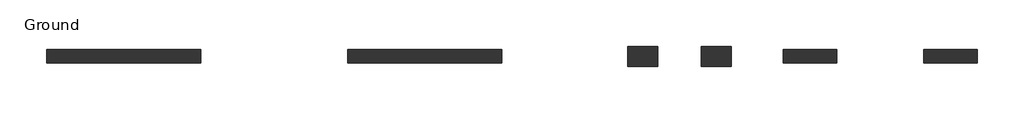
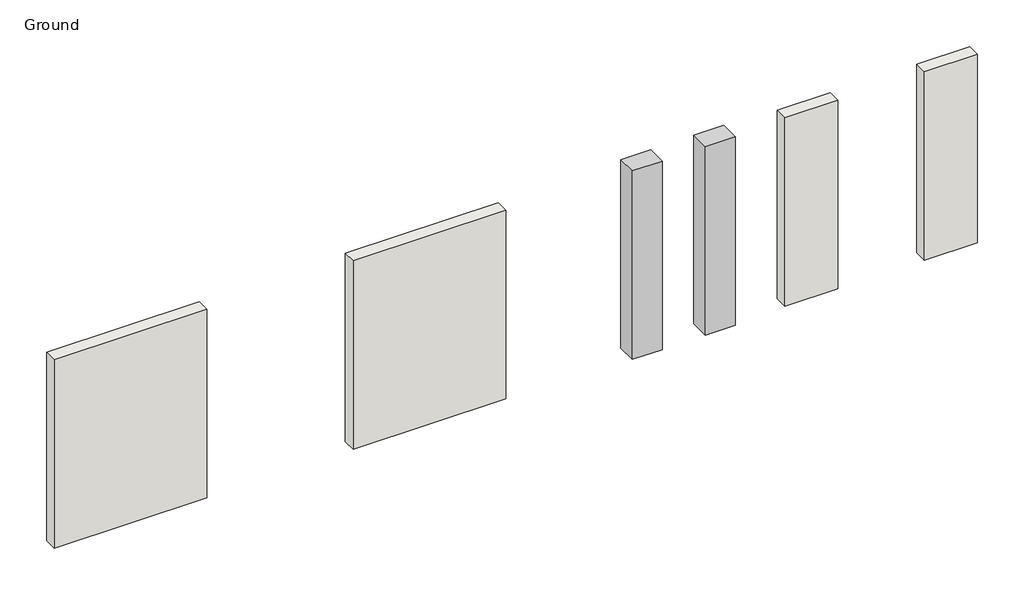
# One storey: 4 walls, 2 columns.
"""IFC4 building model written with IfcOpenShell, lengths in millimetres."""

from ifc_helpers import new_model, si_unit, origin, origin_with_axes, place, context, project, spatial, polyline, outline, extrude, element, save

model = new_model("IFC4")

# Units and contexts
model_context = context("Model", 3, world=origin())
ifc_project = project(units=[si_unit("LENGTHUNIT", "METRE", prefix="MILLI")], contexts=[model_context])

# Site, building, storey
site = spatial("IfcSite", under=ifc_project)
building = spatial("IfcBuilding", under=site)
storey = spatial("IfcBuildingStorey", under=building, Name="Ground", Elevation=0.0)

# Columns
placement = place(None, origin())
element("IfcColumn", 1, ObjectType="Concrete-Rectangular-Column : 300 x 450mm", at=placement, inside=storey, context=model_context, shape_type="SweptSolid", body=[
    extrude(outline(polyline([(3369.8659013, 11056.1906431), (2919.8659013, 11056.1906431), (2919.8659013, 11356.1906431), (3369.8659013, 11356.1906431), (3369.8659013, 11056.1906431)])), origin_with_axes(), (0.0, 0.0, 1.0), 3000.0),
])
element("IfcColumn", 2, ObjectType="Concrete-Rectangular-Column : 300 x 450mm", at=placement, inside=storey, context=model_context, shape_type="SweptSolid", body=[
    extrude(outline(polyline([(2269.8659013, 11056.1906431), (1819.8659013, 11056.1906431), (1819.8659013, 11356.1906431), (2269.8659013, 11356.1906431), (2269.8659013, 11056.1906431)])), origin_with_axes(), (0.0, 0.0, 1.0), 3000.0),
])

# Walls
element("IfcWall", 3, ObjectType="Generic - 200mm", at=placement, inside=storey, context=model_context, shape_type="SweptSolid", body=[
    extrude(outline(polyline([(-4555.1340987, 11106.1906431), (-6855.1340987, 11106.1906431), (-6855.1340987, 11306.1906431), (-4555.1340987, 11306.1906431), (-4555.1340987, 11106.1906431)])), origin_with_axes(), (0.0, 0.0, 1.0), 3000.0),
])
element("IfcWall", 4, ObjectType="Generic - 200mm", at=placement, inside=storey, context=model_context, shape_type="SweptSolid", body=[
    extrude(outline(polyline([(-55.1340987, 11106.1906431), (-2355.1340987, 11106.1906431), (-2355.1340987, 11306.1906431), (-55.1340987, 11306.1906431), (-55.1340987, 11106.1906431)])), origin_with_axes(), (0.0, 0.0, 1.0), 3000.0),
])
element("IfcWall", 5, ObjectType="Generic - 200mm", at=placement, inside=storey, context=model_context, shape_type="SweptSolid", body=[
    extrude(outline(polyline([(4944.8659013, 11106.1906431), (4144.8659013, 11106.1906431), (4144.8659013, 11306.1906431), (4944.8659013, 11306.1906431), (4944.8659013, 11106.1906431)])), origin_with_axes(), (0.0, 0.0, 1.0), 3000.0),
])
element("IfcWall", 6, ObjectType="Generic - 200mm", at=placement, inside=storey, context=model_context, shape_type="SweptSolid", body=[
    extrude(outline(polyline([(7044.8659013, 11106.1906431), (6244.8659013, 11106.1906431), (6244.8659013, 11306.1906431), (7044.8659013, 11306.1906431), (7044.8659013, 11106.1906431)])), origin_with_axes(), (0.0, 0.0, 1.0), 3000.0),
])

save(model, "model.ifc")
